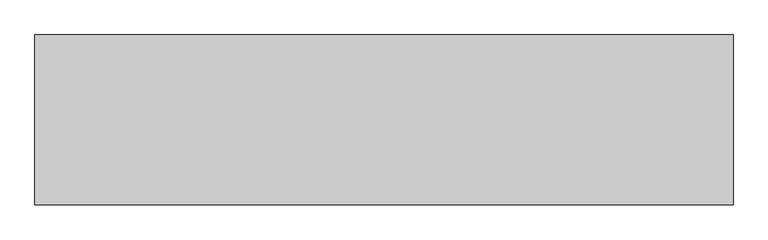
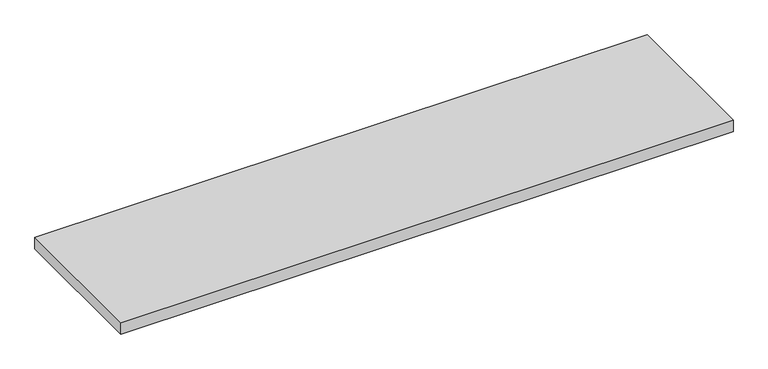
"""IFC4 building model written with IfcOpenShell, lengths in millimetres: furniture geometry."""

from ifc_helpers import new_model, si_unit, frame, origin, place, context, project, spatial, polyline, outline, extrude, source, transform, mapped, element, save


def furniture_6f0714cc(model_context):
    return source(origin(), model_context, "Body", "SweptSolid", [
        extrude(outline(polyline([(1828.7989826, 0.0), (1828.7989826, -444.5), (0.0, -444.5), (0.0, 0.0), (1828.7989826, 0.0)])), frame((0.0, 0.0, 697.738), z_axis=(0.0, 0.0, 1.0), x_axis=(1.0, 0.0, 0.0)), (0.0, 0.0, 1.0), 36.3449586),
    ])


if __name__ == "__main__":
    model = new_model("IFC4")
    model_context = context("Model", 3, world=origin())
    ifc_project = project(units=[si_unit("LENGTHUNIT", "METRE", prefix="MILLI")], contexts=[model_context])
    site = spatial("IfcSite", under=ifc_project)
    building = spatial("IfcBuilding", under=site)
    placement = place(None, origin())
    furniture_shape = furniture_6f0714cc(model_context)
    element("IfcFurniture", 1, at=placement, inside=building, context=model_context, shape_type="MappedRepresentation", body=[
        mapped(furniture_shape, transform((0.0, 0.0, 0.0), x_axis=(1.0, 0.0, 0.0), y_axis=(0.0, 1.0, 0.0), z_axis=(0.0, 0.0, 1.0))),
    ])
    save(model, "model.ifc")
